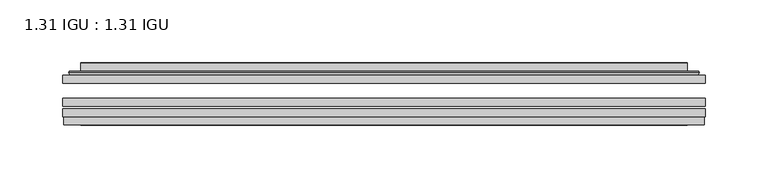
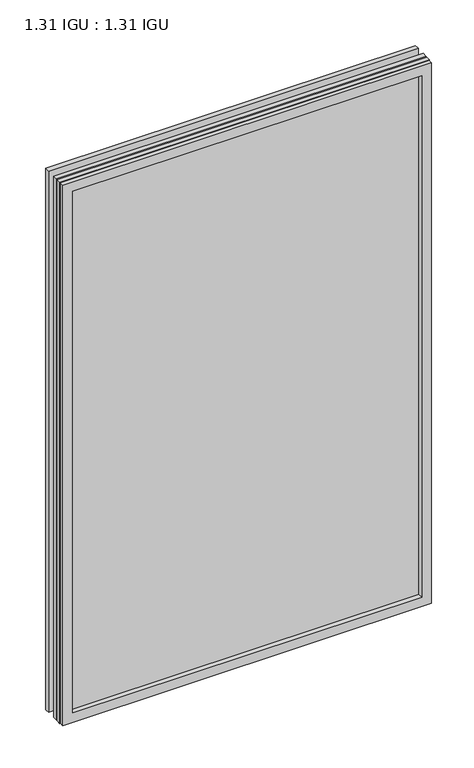
"""IFC4 building model written with IfcOpenShell, lengths in millimetres: plate geometry, 1.31 IGU : 1.31 IGU."""

from ifc_helpers import new_model, si_unit, frame, origin, place, context, project, spatial, polyline, ellipse_curve, outline, extrude, faceted_brep, source, transform, mapped, element, save
from ifc_brep_helpers import plane_surface, cylinder_surface, advanced_brep


def plate_1_31_igu_1_31_igu_93121d41(model_context):
    return source(origin(), model_context, "Body", "SolidModel", [
        extrude(outline(polyline([(255.601675, -63.59525), (255.601675, -69.94525), (-255.5875, -69.94525), (-255.5875, -63.59525), (255.601675, -63.59525)])), frame((0.0, 0.0, -14.2875), z_axis=(0.0, 0.0, 1.0), x_axis=(1.0, 0.0, 0.0)), (0.0, 0.0, 1.0), 790.6015278),
        extrude(outline(polyline([(-255.5875, -78.58125), (-255.5875, -72.230745), (255.601675, -72.230745), (255.601675, -78.58125), (-255.5875, -78.58125)])), frame((0.0, 0.0, -14.2875), z_axis=(0.0, 0.0, 1.0), x_axis=(1.0, 0.0, 0.0)), (0.0, 0.0, 1.0), 790.6015278),
        extrude(outline(polyline([(255.601675, -45.25645), (255.601675, -51.60645), (-255.5875, -51.60645), (-255.5875, -45.25645), (255.601675, -45.25645)])), frame((0.0, 0.0, -14.2875), z_axis=(0.0, 0.0, 1.0), x_axis=(1.0, 0.0, 0.0)), (0.0, 0.0, 1.0), 790.6015278),
        faceted_brep([(-254.8873142, -84.93125, 775.6100441), (-254.8873142, -78.58125, 775.6100441), (-254.8873142, -78.58125, -13.5873142), (-254.8873142, -84.93125, -13.5873142), (254.8873142, -78.58125, -13.5873142), (254.8873142, -84.93125, -13.5873142), (254.8873142, -78.58125, 775.6100441), (254.8873142, -84.93125, 775.6100441), (-240.4022559, -78.58125, 0.8977441), (240.4022559, -78.58125, 0.8977441), (240.4022559, -78.58125, 761.1249858), (-240.4022559, -78.58125, 761.1249858), (-241.2946902, -84.93125, 762.0174201), (241.2946902, -84.93125, 762.0174201), (241.2946902, -84.93125, 0.0053098), (-241.2946902, -84.93125, 0.0053098)], [[[0, 1, 2, 3]], [[3, 2, 4, 5]], [[5, 4, 6, 7]], [[1, 6, 4, 2], [8, 9, 10, 11]], [[7, 6, 1, 0]], [[3, 5, 7, 0], [12, 13, 14, 15]], [[11, 12, 15, 8]], [[8, 15, 14, 9]], [[9, 14, 13, 10]], [[10, 13, 12, 11]]]),
        advanced_brep(
        [(-248.346219, -45.25645, 769.0689489), (-250.7004244, -43.2667833, 771.4231543), (-250.7004244, -43.2667833, -9.4004244), (-248.346219, -45.25645, -7.046219), (-239.2718939, -41.416413, 759.9946238), (-234.3370621, -45.25645, 755.0597919), (-234.3370621, -45.25645, 6.9629379), (-239.2718939, -41.416413, 2.0281061), (-240.3039217, -36.0191819, 761.0266515), (-240.3039217, -36.0191819, 0.9960783), (-241.2945784, -35.6202069, 762.0173083), (-241.2945784, -35.6202069, 0.0054216), (-241.2945784, -42.08145, 762.0173083), (-241.2945784, -42.08145, 0.0054216), (-249.6986349, -42.08145, 770.4213648), (-249.6986349, -42.08145, -8.3986349), (250.7004244, -43.2667833, -9.4004244), (248.346219, -45.25645, -7.046219), (234.3370621, -45.25645, 6.9629379), (239.2718939, -41.416413, 2.0281061), (240.3039217, -36.0191819, 0.9960783), (241.2945784, -35.6202069, 0.0054216), (241.2945784, -42.08145, 0.0054216), (249.6986349, -42.08145, -8.3986349), (250.7004244, -43.2667833, 771.4231543), (248.346219, -45.25645, 769.0689489), (234.3370621, -45.25645, 755.0597919), (239.2718939, -41.416413, 759.9946238), (240.3039217, -36.0191819, 761.0266515), (241.2945784, -35.6202069, 762.0173083), (241.2945784, -42.08145, 762.0173083), (249.6986349, -42.08145, 770.4213648)],
        [
            (0, 1, ellipse_curve(frame((-248.346219, -42.86885, 769.0689489), z_axis=(-0.7071067811865475, 0.0, -0.7071067811865475), x_axis=(-0.7071067811865474, 0.0, 0.7071067811865476)), 3.3765763, 2.3876)),
            (1, 2),
            (2, 3, ellipse_curve(frame((-248.346219, -42.86885, -7.046219), z_axis=(-0.7071067811865475, 0.0, 0.7071067811865475), x_axis=(0.7071067811865474, 0.0, 0.7071067811865476)), 3.3765763, 2.3876)),
            (3, 0),
            (4, 5),
            (5, 6),
            (6, 7),
            (7, 4),
            (8, 4),
            (7, 9),
            (9, 8),
            (10, 8, ellipse_curve(frame((-240.9276219, -36.1384423, 761.6503517), z_axis=(-0.7071067811865475, 0.0, -0.7071067811865475), x_axis=(-0.7071067811865474, 0.0, 0.7071067811865476)), 0.8980256, 0.635)),
            (9, 11, ellipse_curve(frame((-240.9276219, -36.1384423, 0.3723781), z_axis=(-0.7071067811865475, 0.0, 0.7071067811865475), x_axis=(0.7071067811865474, 0.0, 0.7071067811865476)), 0.8980256, 0.635)),
            (11, 10),
            (12, 10),
            (11, 13),
            (13, 12),
            (1, 14, ellipse_curve(frame((-249.6986349, -43.09745, 770.4213648), z_axis=(-0.7071067811865475, 0.0, -0.7071067811865475), x_axis=(-0.7071067811865474, 0.0, 0.7071067811865476)), 1.436841, 1.016)),
            (14, 15),
            (15, 2, ellipse_curve(frame((-249.6986349, -43.09745, -8.3986349), z_axis=(-0.7071067811865475, 0.0, 0.7071067811865475), x_axis=(0.7071067811865474, 0.0, 0.7071067811865476)), 1.436841, 1.016)),
            (2, 16),
            (16, 17, ellipse_curve(frame((248.346219, -42.86885, -7.046219), z_axis=(-0.7071067811865475, 0.0, -0.7071067811865475), x_axis=(-0.7071067811865476, 0.0, 0.7071067811865474)), 3.3765763, 2.3876)),
            (17, 3),
            (6, 18),
            (18, 19),
            (19, 7),
            (19, 20),
            (20, 9),
            (20, 21, ellipse_curve(frame((240.9276219, -36.1384423, 0.3723781), z_axis=(-0.7071067811865475, 0.0, -0.7071067811865475), x_axis=(-0.7071067811865476, 0.0, 0.7071067811865474)), 0.8980256, 0.635)),
            (21, 11),
            (21, 22),
            (22, 13),
            (15, 23),
            (23, 16, ellipse_curve(frame((249.6986349, -43.09745, -8.3986349), z_axis=(-0.7071067811865475, 0.0, -0.7071067811865475), x_axis=(-0.7071067811865476, 0.0, 0.7071067811865474)), 1.436841, 1.016)),
            (16, 24),
            (24, 25, ellipse_curve(frame((248.346219, -42.86885, 769.0689489), z_axis=(0.7071067811865475, 0.0, -0.7071067811865475), x_axis=(-0.7071067811865474, 0.0, -0.7071067811865476)), 3.3765763, 2.3876)),
            (25, 17),
            (18, 26),
            (26, 27),
            (27, 19),
            (27, 28),
            (28, 20),
            (28, 29, ellipse_curve(frame((240.9276219, -36.1384423, 761.6503517), z_axis=(0.7071067811865475, 0.0, -0.7071067811865475), x_axis=(-0.7071067811865474, 0.0, -0.7071067811865476)), 0.8980256, 0.635)),
            (29, 21),
            (29, 30),
            (30, 22),
            (23, 31),
            (31, 24, ellipse_curve(frame((249.6986349, -43.09745, 770.4213648), z_axis=(0.7071067811865475, 0.0, -0.7071067811865475), x_axis=(-0.7071067811865474, 0.0, -0.7071067811865476)), 1.436841, 1.016)),
            (24, 1),
            (0, 25),
            (5, 26),
            (4, 27),
            (8, 28),
            (10, 29),
            (12, 30),
            (14, 31),
        ],
        [
            cylinder_surface(frame((-248.346219, -42.86885, 793.7727299), z_axis=(0.0, 0.0, 1.0), x_axis=(-1.0, 0.0, 0.0)), 2.3876),
            plane_surface(frame((-234.3370621, -45.25645, 755.0597919), z_axis=(0.6141233906514794, 0.7892100234124821, 0.0), x_axis=(0.0, 0.0, -1.0))),
            plane_surface(frame((-239.2718939, -41.416413, 759.9946238), z_axis=(0.9822050625507729, 0.18781164793386076, 0.0), x_axis=(0.0, 0.0, -1.0))),
            cylinder_surface(frame((-240.9276219, -36.1384423, 793.7727299), z_axis=(0.0, 0.0, 1.0), x_axis=(-1.0, 0.0, 0.0)), 0.635),
            plane_surface(frame((-241.2945784, -35.6202069, 762.0173083), z_axis=(-1.0, 0.0, 0.0), x_axis=(0.0, 0.0, -1.0))),
            cylinder_surface(frame((-249.6986349, -43.09745, 793.7727299), z_axis=(0.0, 0.0, 1.0), x_axis=(-1.0, 0.0, 0.0)), 1.016),
            cylinder_surface(frame((-273.05, -42.86885, -7.046219), z_axis=(-1.0, 0.0, 0.0), x_axis=(0.0, 0.0, -1.0)), 2.3876),
            plane_surface(frame((-234.3370621, -45.25645, 6.9629379), z_axis=(0.0, 0.7892100234124841, 0.6141233906514768), x_axis=(1.0, 0.0, 0.0))),
            plane_surface(frame((-239.2718939, -41.416413, 2.0281061), z_axis=(0.0, 0.18781164793386393, 0.9822050625507723), x_axis=(1.0, 0.0, 0.0))),
            cylinder_surface(frame((-273.05, -36.1384423, 0.3723781), z_axis=(-1.0, 0.0, 0.0), x_axis=(0.0, 0.0, -1.0)), 0.635),
            plane_surface(frame((-241.2945784, -35.6202069, 0.0054216), z_axis=(0.0, 0.0, -1.0), x_axis=(1.0, 0.0, 0.0))),
            cylinder_surface(frame((-273.05, -43.09745, -8.3986349), z_axis=(-1.0, 0.0, 0.0), x_axis=(0.0, 0.0, -1.0)), 1.016),
            cylinder_surface(frame((248.346219, -42.86885, -31.75), z_axis=(0.0, 0.0, -1.0), x_axis=(1.0, 0.0, 0.0)), 2.3876),
            plane_surface(frame((234.3370621, -45.25645, 6.9629379), z_axis=(-0.6141233906514743, 0.7892100234124861, 0.0), x_axis=(0.0, 0.0, 1.0))),
            plane_surface(frame((239.2718939, -41.416413, 2.0281061), z_axis=(-0.9822050625507718, 0.1878116479338671, 0.0), x_axis=(0.0, 0.0, 1.0))),
            cylinder_surface(frame((240.9276219, -36.1384423, -31.75), z_axis=(0.0, 0.0, -1.0), x_axis=(1.0, 0.0, 0.0)), 0.635),
            plane_surface(frame((241.2945784, -35.6202069, 0.0054216), z_axis=(1.0, 0.0, 0.0), x_axis=(0.0, 0.0, 1.0))),
            cylinder_surface(frame((249.6986349, -43.09745, -31.75), z_axis=(0.0, 0.0, -1.0), x_axis=(1.0, 0.0, 0.0)), 1.016),
            cylinder_surface(frame((273.05, -42.86885, 769.0689489), z_axis=(1.0, 0.0, 0.0), x_axis=(0.0, 0.0, 1.0)), 2.3876),
            plane_surface(frame((248.346219, -45.25645, 769.0689489), z_axis=(0.0, -1.0, 0.0), x_axis=(-1.0, 0.0, 0.0))),
            plane_surface(frame((234.3370621, -45.25645, 755.0597919), z_axis=(0.0, 0.7892100234124841, -0.6141233906514768), x_axis=(-1.0, 0.0, 0.0))),
            plane_surface(frame((239.2718939, -41.416413, 759.9946238), z_axis=(0.0, 0.18781164793386393, -0.9822050625507723), x_axis=(-1.0, 0.0, 0.0))),
            cylinder_surface(frame((273.05, -36.1384423, 761.6503517), z_axis=(1.0, 0.0, 0.0), x_axis=(0.0, 0.0, 1.0)), 0.635),
            plane_surface(frame((241.2945784, -35.6202069, 762.0173083), z_axis=(0.0, 0.0, 1.0), x_axis=(-1.0, 0.0, 0.0))),
            plane_surface(frame((241.2945784, -42.08145, 762.0173083), z_axis=(0.0, 1.0, 0.0), x_axis=(-1.0, 0.0, 0.0))),
            cylinder_surface(frame((273.05, -43.09745, 770.4213648), z_axis=(1.0, 0.0, 0.0), x_axis=(0.0, 0.0, 1.0)), 1.016),
        ],
        [
            (0, [[1, 2, 3, 4]]),
            (1, [[5, 6, 7, 8]]),
            (2, [[9, -8, 10, 11]]),
            (3, [[12, -11, 13, 14]]),
            (4, [[15, -14, 16, 17]]),
            (5, [[18, 19, 20, -2]]),
            (6, [[-3, 21, 22, 23]]),
            (7, [[-7, 24, 25, 26]]),
            (8, [[-10, -26, 27, 28]]),
            (9, [[-13, -28, 29, 30]]),
            (10, [[-16, -30, 31, 32]]),
            (11, [[-20, 33, 34, -21]]),
            (12, [[-22, 35, 36, 37]]),
            (13, [[-25, 38, 39, 40]]),
            (14, [[-27, -40, 41, 42]]),
            (15, [[-29, -42, 43, 44]]),
            (16, [[-31, -44, 45, 46]]),
            (17, [[-34, 47, 48, -35]]),
            (18, [[-36, 49, -1, 50]]),
            (19, [[-23, -37, -50, -4], [51, -38, -24, -6]]),
            (20, [[-39, -51, -5, 52]]),
            (21, [[-41, -52, -9, 53]]),
            (22, [[-43, -53, -12, 54]]),
            (23, [[-45, -54, -15, 55]]),
            (24, [[56, -47, -33, -19], [-32, -46, -55, -17]]),
            (25, [[-48, -56, -18, -49]]),
        ],
    ),
    ])


if __name__ == "__main__":
    model = new_model("IFC4")
    model_context = context("Model", 3, world=origin())
    ifc_project = project(units=[si_unit("LENGTHUNIT", "METRE", prefix="MILLI")], contexts=[model_context])
    site = spatial("IfcSite", under=ifc_project)
    building = spatial("IfcBuilding", under=site)
    placement = place(None, origin())
    plate_1_31_igu_1_31_igu_shape = plate_1_31_igu_1_31_igu_93121d41(model_context)
    element("IfcPlate", 1, ObjectType="1.31 IGU : 1.31 IGU", at=placement, inside=building, context=model_context, shape_type="MappedRepresentation", body=[
        mapped(plate_1_31_igu_1_31_igu_shape, transform((0.0, 0.0, 0.0), x_axis=(1.0, 0.0, 0.0), y_axis=(0.0, 1.0, 0.0), z_axis=(0.0, 0.0, 1.0))),
    ])
    save(model, "model.ifc")
